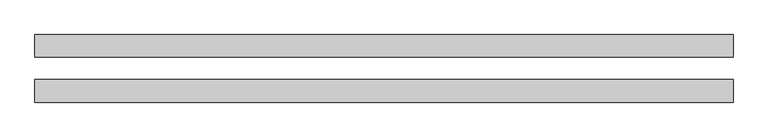
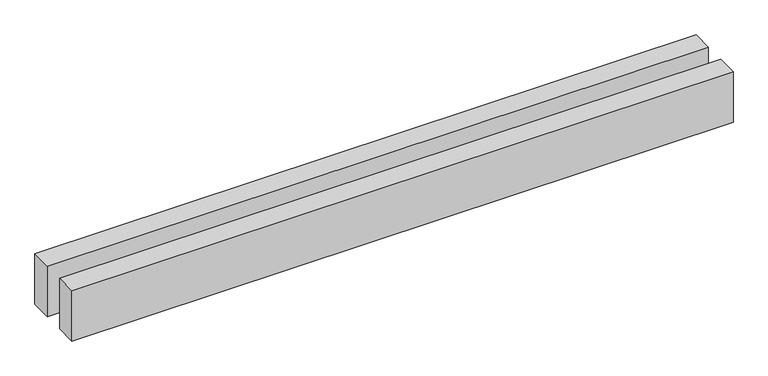
"""IFC4 building model written with IfcOpenShell, lengths in millimetres: proxy geometry."""

import ifcopenshell
import ifcopenshell.guid

model = None  # the IFC model being written
_history = None  # IfcOwnerHistory: only IFC2X3 demands one
_inside = {}  # id of a spatial element -> (the spatial element, [elements in it])
_under = {}  # id of a project, library or spatial element -> (it, [spatial elements below it])
_declared = {}  # id of a project -> (the project, [libraries it declares])
_typed = {}  # id of a type object -> (the type object, [elements of that type])
_made_of = {}  # id of a material, layer set ... -> (it, [elements and type objects made of it])


def new_model(schema):
    """Start an empty IFC model of exactly this schema.

    Asked for "IFC4X3", IfcOpenShell would pick the latest addendum, in which some entities
    have other attributes; the version numbers below select the first issue.
    IFC2X3 requires an IfcOwnerHistory on every rooted entity: one is made here for all.
    """
    global model, _history
    if schema == "IFC4X3":
        model = ifcopenshell.file(schema_version=(4, 3, 0, 0))
    else:
        model = ifcopenshell.file(schema=schema)
    _inside.clear()
    _under.clear()
    _declared.clear()
    _typed.clear()
    _made_of.clear()
    _history = None
    if model.schema == "IFC2X3":
        org = make("IfcOrganization", Name="unknown")
        user = make(
            "IfcPersonAndOrganization",
            ThePerson=make("IfcPerson", FamilyName="unknown"),
            TheOrganization=org,
        )
        app = make(
            "IfcApplication",
            ApplicationDeveloper=org,
            Version="unknown",
            ApplicationFullName="unknown",
            ApplicationIdentifier="unknown",
        )
        _history = make(
            "IfcOwnerHistory",
            OwningUser=user,
            OwningApplication=app,
            ChangeAction="ADDED",
            CreationDate=0,
        )
    return model


def make(cls, **values):
    """One entity of the class cls with the attributes given. An attribute that is None is left unset."""
    return model.create_entity(
        cls, **{name: value for name, value in values.items() if value is not None}
    )


def rooted(cls, **values):
    """An entity with a GlobalId (a new one), such as an element, a storey or a relation."""
    return make(cls, GlobalId=ifcopenshell.guid.new(), OwnerHistory=_history, **values)


def si_unit(unit_type, name, prefix=None):
    """IfcSIUnit, for example si_unit("LENGTHUNIT", "METRE", prefix="MILLI")."""
    return make("IfcSIUnit", UnitType=unit_type, Prefix=prefix, Name=name)


def assignment(units):
    """IfcUnitAssignment: the units of a project."""
    return None if units is None else make("IfcUnitAssignment", Units=units)


def point(xyz):
    """IfcCartesianPoint."""
    return None if xyz is None else make("IfcCartesianPoint", Coordinates=xyz)


def direction(xyz):
    """IfcDirection."""
    return None if xyz is None else make("IfcDirection", DirectionRatios=xyz)


def frame(location, z_axis=None, x_axis=None):
    """IfcAxis2Placement3D, a coordinate frame: its origin and axes. An axis left out is left unset."""
    return make(
        "IfcAxis2Placement3D",
        Location=point(location),
        Axis=direction(z_axis),
        RefDirection=direction(x_axis),
    )


def origin():
    """The frame at (0, 0, 0) with its axes left unset."""
    return frame((0.0, 0.0, 0.0))


def origin_with_axes():
    """The frame at (0, 0, 0) with the z axis (0, 0, 1) and the x axis (1, 0, 0) written out."""
    return frame((0.0, 0.0, 0.0), z_axis=(0.0, 0.0, 1.0), x_axis=(1.0, 0.0, 0.0))


def place(relative_to, where):
    """IfcLocalPlacement: puts the frame where relative to a parent placement (None: the world)."""
    return make(
        "IfcLocalPlacement", PlacementRelTo=relative_to, RelativePlacement=where
    )


def context(
    kind, dimensions, precision=None, world=None, true_north=None, identifier=None
):
    """IfcGeometricRepresentationContext, for example the 3D "Model" context."""
    return make(
        "IfcGeometricRepresentationContext",
        ContextIdentifier=identifier,
        ContextType=kind,
        CoordinateSpaceDimension=dimensions,
        Precision=precision,
        WorldCoordinateSystem=world,
        TrueNorth=true_north,
    )


def project(units=None, contexts=None):
    """IfcProject with its units and contexts."""
    return rooted(
        "IfcProject",
        Name="project",
        RepresentationContexts=contexts,
        UnitsInContext=assignment(units),
    )


def spatial(cls, under=None, at=None, **own):
    """A site, building, storey or space (cls), placed at a placement, below another one or the project."""
    s = rooted(cls, ObjectPlacement=at, **own)
    if under is not None:
        _under.setdefault(under.id(), (under, []))[1].append(s)
    return s


def polyline(points):
    """IfcPolyline through the points."""
    return make("IfcPolyline", Points=[point(p) for p in points])


def outline(outer, holes=None, kind="AREA"):
    """IfcArbitraryClosedProfileDef: a profile drawn as a closed curve; with holes, ...WithVoids."""
    if holes is None:
        return make("IfcArbitraryClosedProfileDef", ProfileType=kind, OuterCurve=outer)
    return make(
        "IfcArbitraryProfileDefWithVoids",
        ProfileType=kind,
        OuterCurve=outer,
        InnerCurves=holes,
    )


def extrude(swept, where, along, depth):
    """IfcExtrudedAreaSolid: the profile swept, set in the frame where, extruded along a direction by depth."""
    return make(
        "IfcExtrudedAreaSolid",
        SweptArea=swept,
        Position=where,
        ExtrudedDirection=direction(along),
        Depth=depth,
    )


def shape(context_of_items, identifier, shape_type, items):
    """IfcShapeRepresentation: the items that make up one representation, for example the "Body"."""
    return make(
        "IfcShapeRepresentation",
        ContextOfItems=context_of_items,
        RepresentationIdentifier=identifier,
        RepresentationType=shape_type,
        Items=items,
    )


def source(mapping_origin, context_of_items, identifier, shape_type, items):
    """IfcRepresentationMap: a shape defined once, which mapped items show again and again."""
    return make(
        "IfcRepresentationMap",
        MappingOrigin=mapping_origin,
        MappedRepresentation=shape(context_of_items, identifier, shape_type, items),
    )


def transform(
    local_origin,
    x_axis=None,
    y_axis=None,
    z_axis=None,
    scale=None,
    scale2=None,
    scale3=None,
    uniform=True,
):
    """IfcCartesianTransformationOperator3D, or its non-uniform kind. x_axis, y_axis, z_axis: its Axis1, 2, 3."""
    if uniform:
        return make(
            "IfcCartesianTransformationOperator3D",
            Axis1=direction(x_axis),
            Axis2=direction(y_axis),
            LocalOrigin=point(local_origin),
            Scale=scale,
            Axis3=direction(z_axis),
        )
    return make(
        "IfcCartesianTransformationOperator3DnonUniform",
        Axis1=direction(x_axis),
        Axis2=direction(y_axis),
        LocalOrigin=point(local_origin),
        Scale=scale,
        Axis3=direction(z_axis),
        Scale2=scale2,
        Scale3=scale3,
    )


def mapped(mapping_source, mapping_target):
    """IfcMappedItem: shows the shape of a source again, moved by a transform."""
    return make(
        "IfcMappedItem", MappingSource=mapping_source, MappingTarget=mapping_target
    )


def made_of(thing, what):
    """Note that an element or type object is made of a material, layer set ...; save() writes the relation."""
    if what is not None:
        _made_of.setdefault(what.id(), (what, []))[1].append(thing)
    return thing


def element(
    cls,
    number,
    at=None,
    inside=None,
    cuts=None,
    type_object=None,
    material=None,
    context=None,
    identifier="Body",
    shape_type=None,
    held_by="IfcProductDefinitionShape",
    body=None,
    shapes=None,
    **own,
):
    """One element of the class cls, such as IfcWall. Its Tag is "e" and its number.

    at: its placement. inside: the storey or other place that contains it. cuts: it is an
    opening in that element (IfcRelVoidsElement). A single representation is given by context,
    identifier, shape_type and body (its items); several are given by shapes. held_by: the class
    of the entity that holds the representations. save() writes the other relations.
    """
    e = rooted(cls, Tag="e%d" % number, ObjectPlacement=at, **own)
    if body is not None:
        shapes = [shape(context, identifier, shape_type, body)]
    if shapes is not None:
        e.Representation = make(held_by, Representations=shapes)
    if inside is not None:
        _inside.setdefault(inside.id(), (inside, []))[1].append(e)
    if cuts is not None:
        rooted(
            "IfcRelVoidsElement", RelatingBuildingElement=cuts, RelatedOpeningElement=e
        )
    if type_object is not None:
        _typed.setdefault(type_object.id(), (type_object, []))[1].append(e)
    return made_of(e, material)


def aggregate(whole, parts):
    """IfcRelAggregates: a whole, such as a stair, and the parts it consists of."""
    return rooted("IfcRelAggregates", RelatingObject=whole, RelatedObjects=parts)


def save(model, path):
    """Write the relations noted so far, then the file.

    IfcRelAggregates (storeys below a building ...), IfcRelContainedInSpatialStructure (elements
    in a storey), IfcRelDefinesByType, IfcRelAssociatesMaterial and IfcRelDeclares: one each for
    every whole, place, type object, material and project.
    """
    for whole, parts in _under.values():
        aggregate(whole, parts)
    for where, things in _inside.values():
        rooted(
            "IfcRelContainedInSpatialStructure",
            RelatedElements=things,
            RelatingStructure=where,
        )
    for kind, things in _typed.values():
        rooted("IfcRelDefinesByType", RelatedObjects=things, RelatingType=kind)
    for what, things in _made_of.values():
        rooted("IfcRelAssociatesMaterial", RelatedObjects=things, RelatingMaterial=what)
    for by, libraries in _declared.values():
        rooted("IfcRelDeclares", RelatingContext=by, RelatedDefinitions=libraries)
    model.write(path)


def generic_models_6dcbac5b(model_context):
    return source(origin(), model_context, "Body", "SweptSolid", [
        extrude(outline(polyline([(6197.2888721, 300.0), (6197.2888721, 100.0), (0.0, 100.0), (0.0, 300.0), (6197.2888721, 300.0)])), origin_with_axes(), (0.0, 0.0, 1.0), 500.0),
        extrude(outline(polyline([(6197.2888721, -100.0), (6197.2888721, -300.0), (0.0, -300.0), (0.0, -100.0), (6197.2888721, -100.0)])), origin_with_axes(), (0.0, 0.0, 1.0), 500.0),
    ])


if __name__ == "__main__":
    model = new_model("IFC4")
    model_context = context("Model", 3, world=origin())
    ifc_project = project(units=[si_unit("LENGTHUNIT", "METRE", prefix="MILLI")], contexts=[model_context])
    site = spatial("IfcSite", under=ifc_project)
    building = spatial("IfcBuilding", under=site)
    placement = place(None, origin())
    generic_models_shape = generic_models_6dcbac5b(model_context)
    element("IfcBuildingElementProxy", 1, Name="Generic Models", at=placement, inside=building, context=model_context, shape_type="MappedRepresentation", body=[
        mapped(generic_models_shape, transform((0.0, 0.0, 0.0), x_axis=(1.0, 0.0, 0.0), y_axis=(0.0, 1.0, 0.0), z_axis=(0.0, 0.0, 1.0))),
    ])
    save(model, "model.ifc")
